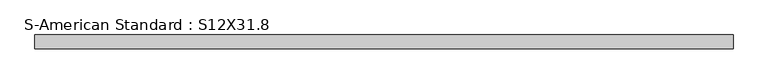
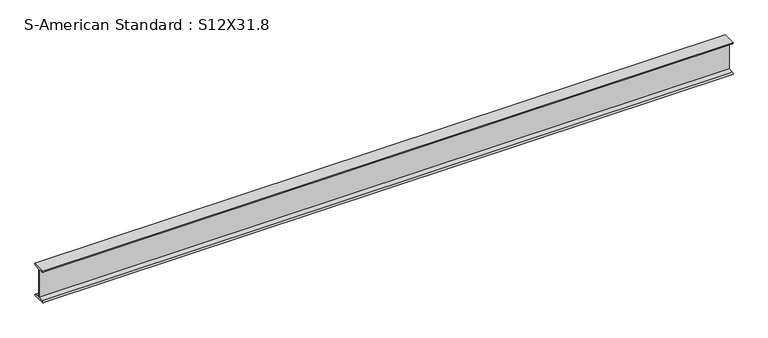
"""IFC4 building model written with IfcOpenShell, lengths in millimetres: beam geometry, S-American Standard : S12X31.8."""

from ifc_helpers import new_model, si_unit, point, frame, frame_2d, origin, place, context, project, spatial, polyline, circle_curve, trimmed, segment, composite_curve, outline, extrude, source, transform, mapped, element, save


def s_american_standard_s12x31_8_621796a1(model_context):
    return source(origin(), model_context, "Body", "SweptSolid", [
        extrude(outline(composite_curve([segment(trimmed(circle_curve(frame_2d((49.7, 152.4)), 13.8), [point((63.5, 152.4))], [point((49.7, 138.6))], False, "CARTESIAN"), True, "CONTINUOUS"), segment(polyline([(49.7, 138.6), (4.45, 131.4331041), (4.45, -131.4331041), (49.7, -138.6)]), True, "CONTINUOUS"), segment(trimmed(circle_curve(frame_2d((49.7, -152.4)), 13.8), [point((49.7, -138.6))], [point((63.5, -152.4))], False, "CARTESIAN"), True, "CONTINUOUS"), segment(polyline([(63.5, -152.4), (-63.5, -152.4)]), True, "CONTINUOUS"), segment(trimmed(circle_curve(frame_2d((-49.7, -152.4)), 13.8), [point((-63.5, -152.4))], [point((-49.7, -138.6))], False, "CARTESIAN"), True, "CONTINUOUS"), segment(polyline([(-49.7, -138.6), (-4.45, -131.4331041), (-4.45, 131.4331041), (-49.7, 138.6)]), True, "CONTINUOUS"), segment(trimmed(circle_curve(frame_2d((-49.7, 152.4)), 13.8), [point((-49.7, 138.6))], [point((-63.5, 152.4))], False, "CARTESIAN"), True, "CONTINUOUS"), segment(polyline([(-63.5, 152.4), (63.5, 152.4)]), True, "CONTINUOUS")], self_intersect=False)), frame((-6589.1454301, 0.0, 0.0), z_axis=(1.0, 0.0, 0.0), x_axis=(0.0, 1.0, 0.0)), (0.0, 0.0, 1.0), 6303.6309151),
    ])


if __name__ == "__main__":
    model = new_model("IFC4")
    model_context = context("Model", 3, world=origin())
    ifc_project = project(units=[si_unit("LENGTHUNIT", "METRE", prefix="MILLI")], contexts=[model_context])
    site = spatial("IfcSite", under=ifc_project)
    building = spatial("IfcBuilding", under=site)
    placement = place(None, origin())
    s_american_standard_s12x31_8_shape = s_american_standard_s12x31_8_621796a1(model_context)
    element("IfcBeam", 1, ObjectType="S-American Standard : S12X31.8", at=placement, inside=building, context=model_context, shape_type="MappedRepresentation", body=[
        mapped(s_american_standard_s12x31_8_shape, transform((0.0, 0.0, 0.0), x_axis=(1.0, 0.0, 0.0), y_axis=(0.0, 1.0, 0.0), z_axis=(0.0, 0.0, 1.0))),
    ])
    save(model, "model.ifc")
